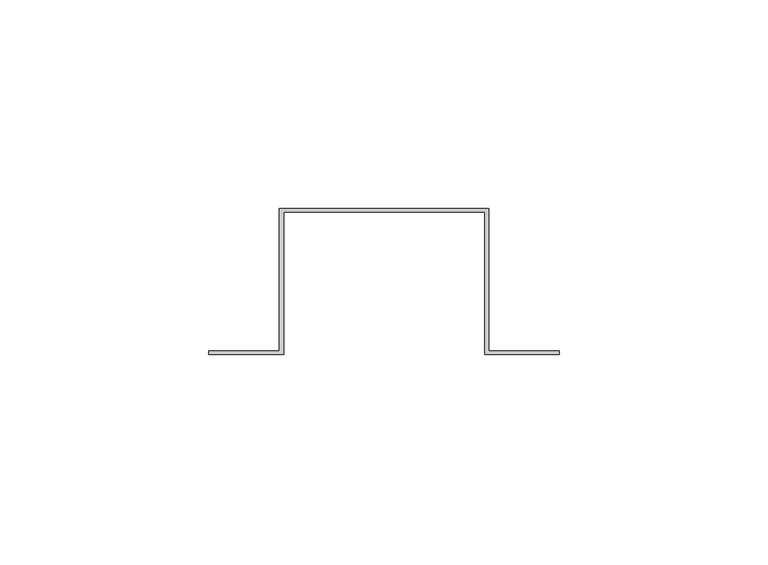
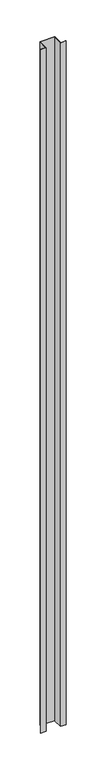
"""IFC4 building model written with IfcOpenShell, lengths in millimetres: proxy geometry."""

from ifc_helpers import new_model, si_unit, origin, origin_with_axes, place, context, project, spatial, polyline, outline, extrude, source, transform, mapped, element, save


def generic_models_74b67daf(model_context):
    return source(origin(), model_context, "Body", "SweptSolid", [
        extrude(outline(polyline([(-42.0, -16.7), (-25.0396499, -16.7), (-25.0396499, 17.5), (25.0415345, 17.5), (25.0415345, -16.7), (42.0, -16.7), (42.0, -17.5), (24.194476, -17.5), (24.194476, 16.6960346), (-23.968421, 16.6960346), (-23.968421, -17.5), (-42.0, -17.5), (-42.0, -16.7)])), origin_with_axes(), (0.0, 0.0, 1.0), 2400.0),
    ])


if __name__ == "__main__":
    model = new_model("IFC4")
    model_context = context("Model", 3, world=origin())
    ifc_project = project(units=[si_unit("LENGTHUNIT", "METRE", prefix="MILLI")], contexts=[model_context])
    site = spatial("IfcSite", under=ifc_project)
    building = spatial("IfcBuilding", under=site)
    placement = place(None, origin())
    generic_models_shape = generic_models_74b67daf(model_context)
    element("IfcBuildingElementProxy", 1, Name="Generic Models", at=placement, inside=building, context=model_context, shape_type="MappedRepresentation", body=[
        mapped(generic_models_shape, transform((0.0, 0.0, 0.0), x_axis=(1.0, 0.0, 0.0), y_axis=(0.0, 1.0, 0.0), z_axis=(0.0, 0.0, 1.0))),
    ])
    save(model, "model.ifc")
